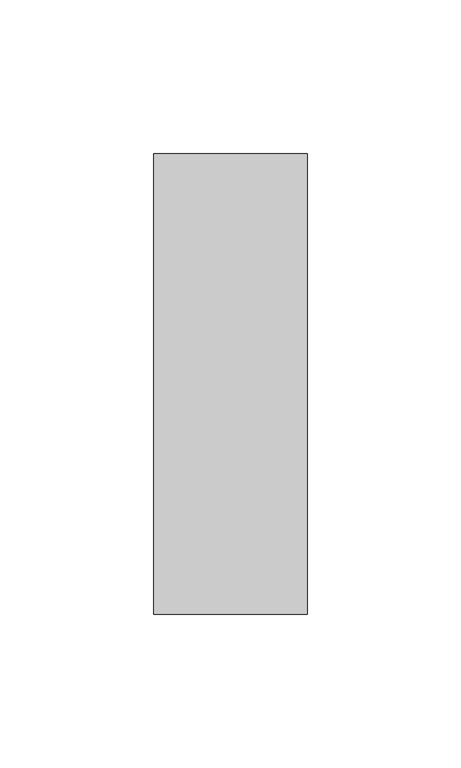
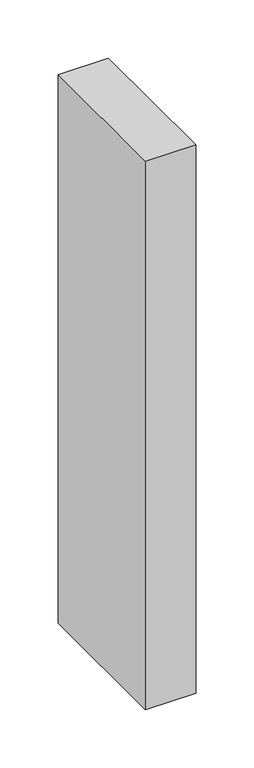
"""IFC4 building model written with IfcOpenShell, lengths in millimetres: member geometry."""

from ifc_helpers import new_model, si_unit, frame, origin, place, context, project, spatial, polyline, outline, extrude, source, transform, mapped, element, save


def member_044d981f(model_context):
    return source(origin(), model_context, "Body", "SweptSolid", [
        extrude(outline(polyline([(25.0, 75.0), (25.0, -75.0), (-25.0, -75.0), (-25.0, 75.0), (25.0, 75.0)])), frame((0.0, 0.0, -576.1128016), z_axis=(0.0, 0.0, 1.0), x_axis=(1.0, 0.0, 0.0)), (0.0, 0.0, 1.0), 576.1128016),
    ])


if __name__ == "__main__":
    model = new_model("IFC4")
    model_context = context("Model", 3, world=origin())
    ifc_project = project(units=[si_unit("LENGTHUNIT", "METRE", prefix="MILLI")], contexts=[model_context])
    site = spatial("IfcSite", under=ifc_project)
    building = spatial("IfcBuilding", under=site)
    placement = place(None, origin())
    member_shape = member_044d981f(model_context)
    element("IfcMember", 1, at=placement, inside=building, context=model_context, shape_type="MappedRepresentation", body=[
        mapped(member_shape, transform((0.0, 0.0, 0.0), x_axis=(1.0, 0.0, 0.0), y_axis=(0.0, 1.0, 0.0), z_axis=(0.0, 0.0, 1.0))),
    ])
    save(model, "model.ifc")
